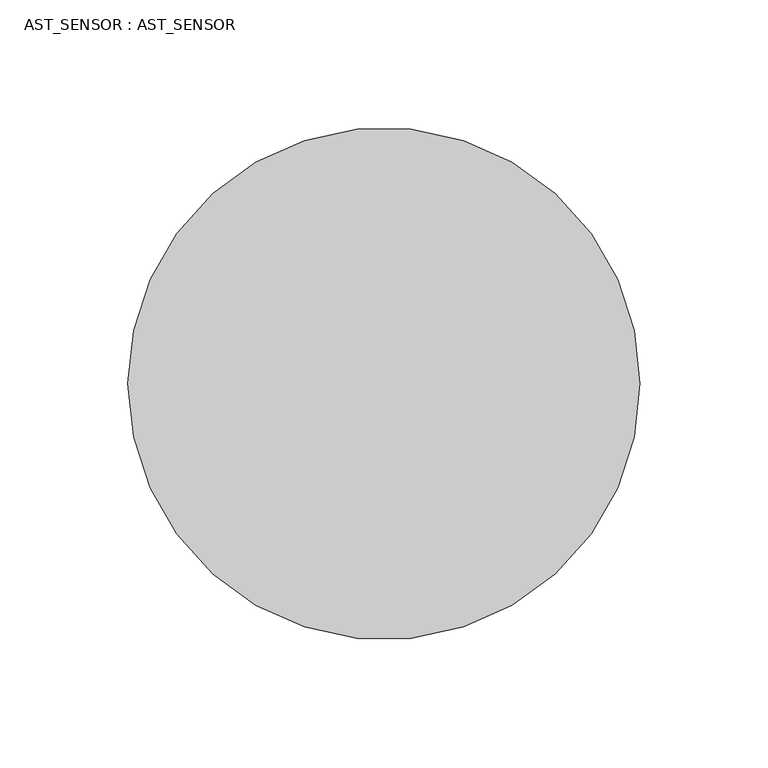
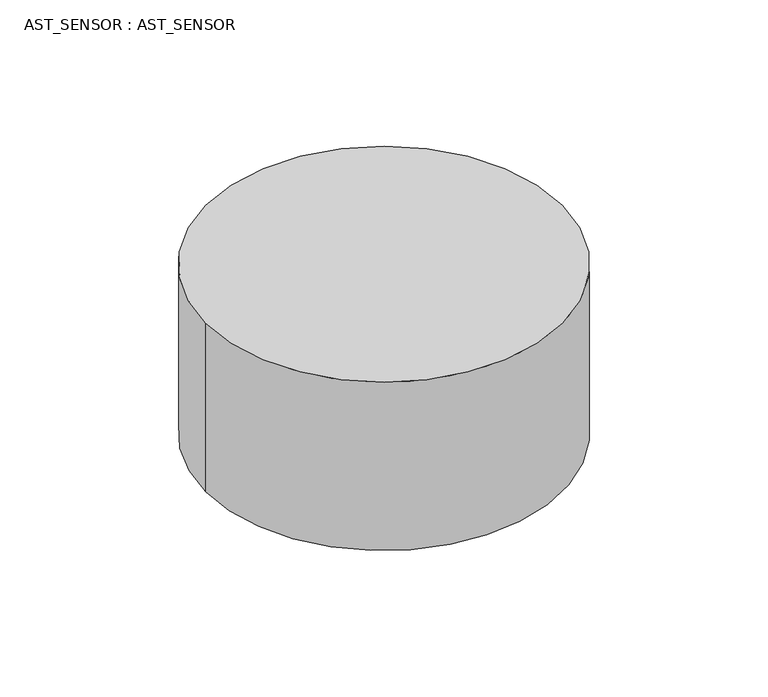
"""IFC4 building model written with IfcOpenShell, lengths in millimetres: proxy geometry, AST_SENSOR : AST_SENSOR."""

from ifc_helpers import new_model, si_unit, point, origin, origin_with_axes, origin_2d, place, context, project, spatial, circle_curve, trimmed, segment, composite_curve, outline, extrude, source, transform, mapped, element, save


def ast_sensor_ast_sensor_dd1ca2dc(model_context):
    return source(origin(), model_context, "Body", "SweptSolid", [
        extrude(outline(composite_curve([segment(trimmed(circle_curve(origin_2d(), 100.0), [point((-100.0, 0.0))], [point((100.0, 0.0))], False, "CARTESIAN"), True, "CONTINUOUS"), segment(trimmed(circle_curve(origin_2d(), 100.0), [point((100.0, 0.0))], [point((-100.0, 0.0))], False, "CARTESIAN"), True, "CONTINUOUS")], self_intersect=False)), origin_with_axes(), (0.0, 0.0, 1.0), 100.0),
    ])


if __name__ == "__main__":
    model = new_model("IFC4")
    model_context = context("Model", 3, world=origin())
    ifc_project = project(units=[si_unit("LENGTHUNIT", "METRE", prefix="MILLI")], contexts=[model_context])
    site = spatial("IfcSite", under=ifc_project)
    building = spatial("IfcBuilding", under=site)
    placement = place(None, origin())
    ast_sensor_ast_sensor_shape = ast_sensor_ast_sensor_dd1ca2dc(model_context)
    element("IfcBuildingElementProxy", 1, Name="AST_SENSOR : AST_SENSOR", ObjectType="AST_SENSOR : AST_SENSOR", at=placement, inside=building, context=model_context, shape_type="MappedRepresentation", body=[
        mapped(ast_sensor_ast_sensor_shape, transform((0.0, 0.0, 0.0), x_axis=(1.0, 0.0, 0.0), y_axis=(0.0, 1.0, 0.0), z_axis=(0.0, 0.0, 1.0))),
    ])
    save(model, "model.ifc")
